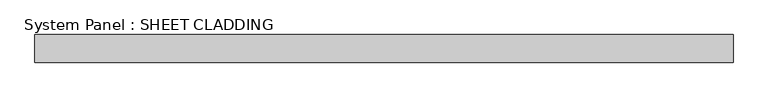
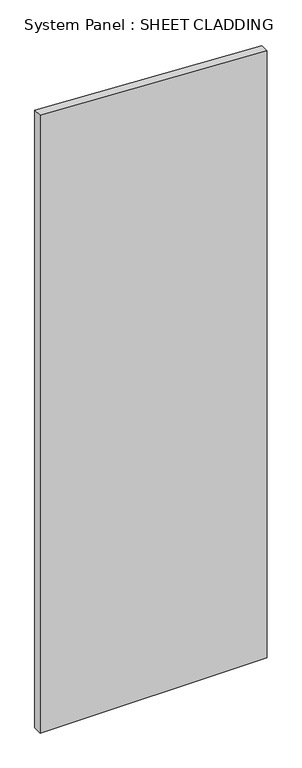
"""IFC4 building model written with IfcOpenShell, lengths in millimetres: plate geometry, System Panel : SHEET CLADDING."""

import ifcopenshell
import ifcopenshell.guid

model = None  # the IFC model being written
_history = None  # IfcOwnerHistory: only IFC2X3 demands one
_inside = {}  # id of a spatial element -> (the spatial element, [elements in it])
_under = {}  # id of a project, library or spatial element -> (it, [spatial elements below it])
_declared = {}  # id of a project -> (the project, [libraries it declares])
_typed = {}  # id of a type object -> (the type object, [elements of that type])
_made_of = {}  # id of a material, layer set ... -> (it, [elements and type objects made of it])


def new_model(schema):
    """Start an empty IFC model of exactly this schema.

    Asked for "IFC4X3", IfcOpenShell would pick the latest addendum, in which some entities
    have other attributes; the version numbers below select the first issue.
    IFC2X3 requires an IfcOwnerHistory on every rooted entity: one is made here for all.
    """
    global model, _history
    if schema == "IFC4X3":
        model = ifcopenshell.file(schema_version=(4, 3, 0, 0))
    else:
        model = ifcopenshell.file(schema=schema)
    _inside.clear()
    _under.clear()
    _declared.clear()
    _typed.clear()
    _made_of.clear()
    _history = None
    if model.schema == "IFC2X3":
        org = make("IfcOrganization", Name="unknown")
        user = make(
            "IfcPersonAndOrganization",
            ThePerson=make("IfcPerson", FamilyName="unknown"),
            TheOrganization=org,
        )
        app = make(
            "IfcApplication",
            ApplicationDeveloper=org,
            Version="unknown",
            ApplicationFullName="unknown",
            ApplicationIdentifier="unknown",
        )
        _history = make(
            "IfcOwnerHistory",
            OwningUser=user,
            OwningApplication=app,
            ChangeAction="ADDED",
            CreationDate=0,
        )
    return model


def make(cls, **values):
    """One entity of the class cls with the attributes given. An attribute that is None is left unset."""
    return model.create_entity(
        cls, **{name: value for name, value in values.items() if value is not None}
    )


def rooted(cls, **values):
    """An entity with a GlobalId (a new one), such as an element, a storey or a relation."""
    return make(cls, GlobalId=ifcopenshell.guid.new(), OwnerHistory=_history, **values)


def si_unit(unit_type, name, prefix=None):
    """IfcSIUnit, for example si_unit("LENGTHUNIT", "METRE", prefix="MILLI")."""
    return make("IfcSIUnit", UnitType=unit_type, Prefix=prefix, Name=name)


def assignment(units):
    """IfcUnitAssignment: the units of a project."""
    return None if units is None else make("IfcUnitAssignment", Units=units)


def point(xyz):
    """IfcCartesianPoint."""
    return None if xyz is None else make("IfcCartesianPoint", Coordinates=xyz)


def direction(xyz):
    """IfcDirection."""
    return None if xyz is None else make("IfcDirection", DirectionRatios=xyz)


def frame(location, z_axis=None, x_axis=None):
    """IfcAxis2Placement3D, a coordinate frame: its origin and axes. An axis left out is left unset."""
    return make(
        "IfcAxis2Placement3D",
        Location=point(location),
        Axis=direction(z_axis),
        RefDirection=direction(x_axis),
    )


def origin():
    """The frame at (0, 0, 0) with its axes left unset."""
    return frame((0.0, 0.0, 0.0))


def place(relative_to, where):
    """IfcLocalPlacement: puts the frame where relative to a parent placement (None: the world)."""
    return make(
        "IfcLocalPlacement", PlacementRelTo=relative_to, RelativePlacement=where
    )


def context(
    kind, dimensions, precision=None, world=None, true_north=None, identifier=None
):
    """IfcGeometricRepresentationContext, for example the 3D "Model" context."""
    return make(
        "IfcGeometricRepresentationContext",
        ContextIdentifier=identifier,
        ContextType=kind,
        CoordinateSpaceDimension=dimensions,
        Precision=precision,
        WorldCoordinateSystem=world,
        TrueNorth=true_north,
    )


def project(units=None, contexts=None):
    """IfcProject with its units and contexts."""
    return rooted(
        "IfcProject",
        Name="project",
        RepresentationContexts=contexts,
        UnitsInContext=assignment(units),
    )


def spatial(cls, under=None, at=None, **own):
    """A site, building, storey or space (cls), placed at a placement, below another one or the project."""
    s = rooted(cls, ObjectPlacement=at, **own)
    if under is not None:
        _under.setdefault(under.id(), (under, []))[1].append(s)
    return s


def polyline(points):
    """IfcPolyline through the points."""
    return make("IfcPolyline", Points=[point(p) for p in points])


def outline(outer, holes=None, kind="AREA"):
    """IfcArbitraryClosedProfileDef: a profile drawn as a closed curve; with holes, ...WithVoids."""
    if holes is None:
        return make("IfcArbitraryClosedProfileDef", ProfileType=kind, OuterCurve=outer)
    return make(
        "IfcArbitraryProfileDefWithVoids",
        ProfileType=kind,
        OuterCurve=outer,
        InnerCurves=holes,
    )


def extrude(swept, where, along, depth):
    """IfcExtrudedAreaSolid: the profile swept, set in the frame where, extruded along a direction by depth."""
    return make(
        "IfcExtrudedAreaSolid",
        SweptArea=swept,
        Position=where,
        ExtrudedDirection=direction(along),
        Depth=depth,
    )


def shape(context_of_items, identifier, shape_type, items):
    """IfcShapeRepresentation: the items that make up one representation, for example the "Body"."""
    return make(
        "IfcShapeRepresentation",
        ContextOfItems=context_of_items,
        RepresentationIdentifier=identifier,
        RepresentationType=shape_type,
        Items=items,
    )


def source(mapping_origin, context_of_items, identifier, shape_type, items):
    """IfcRepresentationMap: a shape defined once, which mapped items show again and again."""
    return make(
        "IfcRepresentationMap",
        MappingOrigin=mapping_origin,
        MappedRepresentation=shape(context_of_items, identifier, shape_type, items),
    )


def transform(
    local_origin,
    x_axis=None,
    y_axis=None,
    z_axis=None,
    scale=None,
    scale2=None,
    scale3=None,
    uniform=True,
):
    """IfcCartesianTransformationOperator3D, or its non-uniform kind. x_axis, y_axis, z_axis: its Axis1, 2, 3."""
    if uniform:
        return make(
            "IfcCartesianTransformationOperator3D",
            Axis1=direction(x_axis),
            Axis2=direction(y_axis),
            LocalOrigin=point(local_origin),
            Scale=scale,
            Axis3=direction(z_axis),
        )
    return make(
        "IfcCartesianTransformationOperator3DnonUniform",
        Axis1=direction(x_axis),
        Axis2=direction(y_axis),
        LocalOrigin=point(local_origin),
        Scale=scale,
        Axis3=direction(z_axis),
        Scale2=scale2,
        Scale3=scale3,
    )


def mapped(mapping_source, mapping_target):
    """IfcMappedItem: shows the shape of a source again, moved by a transform."""
    return make(
        "IfcMappedItem", MappingSource=mapping_source, MappingTarget=mapping_target
    )


def made_of(thing, what):
    """Note that an element or type object is made of a material, layer set ...; save() writes the relation."""
    if what is not None:
        _made_of.setdefault(what.id(), (what, []))[1].append(thing)
    return thing


def element(
    cls,
    number,
    at=None,
    inside=None,
    cuts=None,
    type_object=None,
    material=None,
    context=None,
    identifier="Body",
    shape_type=None,
    held_by="IfcProductDefinitionShape",
    body=None,
    shapes=None,
    **own,
):
    """One element of the class cls, such as IfcWall. Its Tag is "e" and its number.

    at: its placement. inside: the storey or other place that contains it. cuts: it is an
    opening in that element (IfcRelVoidsElement). A single representation is given by context,
    identifier, shape_type and body (its items); several are given by shapes. held_by: the class
    of the entity that holds the representations. save() writes the other relations.
    """
    e = rooted(cls, Tag="e%d" % number, ObjectPlacement=at, **own)
    if body is not None:
        shapes = [shape(context, identifier, shape_type, body)]
    if shapes is not None:
        e.Representation = make(held_by, Representations=shapes)
    if inside is not None:
        _inside.setdefault(inside.id(), (inside, []))[1].append(e)
    if cuts is not None:
        rooted(
            "IfcRelVoidsElement", RelatingBuildingElement=cuts, RelatedOpeningElement=e
        )
    if type_object is not None:
        _typed.setdefault(type_object.id(), (type_object, []))[1].append(e)
    return made_of(e, material)


def aggregate(whole, parts):
    """IfcRelAggregates: a whole, such as a stair, and the parts it consists of."""
    return rooted("IfcRelAggregates", RelatingObject=whole, RelatedObjects=parts)


def save(model, path):
    """Write the relations noted so far, then the file.

    IfcRelAggregates (storeys below a building ...), IfcRelContainedInSpatialStructure (elements
    in a storey), IfcRelDefinesByType, IfcRelAssociatesMaterial and IfcRelDeclares: one each for
    every whole, place, type object, material and project.
    """
    for whole, parts in _under.values():
        aggregate(whole, parts)
    for where, things in _inside.values():
        rooted(
            "IfcRelContainedInSpatialStructure",
            RelatedElements=things,
            RelatingStructure=where,
        )
    for kind, things in _typed.values():
        rooted("IfcRelDefinesByType", RelatedObjects=things, RelatingType=kind)
    for what, things in _made_of.values():
        rooted("IfcRelAssociatesMaterial", RelatedObjects=things, RelatingMaterial=what)
    for by, libraries in _declared.values():
        rooted("IfcRelDeclares", RelatingContext=by, RelatedDefinitions=libraries)
    model.write(path)


def system_panel_sheet_cladding_4442b427(model_context):
    return source(origin(), model_context, "Body", "SweptSolid", [
        extrude(outline(polyline([(0.0, -750.0), (0.0, 750.0), (4235.1, 750.0), (4310.1, -750.0), (0.0, -750.0)])), frame((0.0, -49.5, 0.0), z_axis=(0.0, 1.0, 0.0), x_axis=(0.0, 0.0, 1.0)), (0.0, 0.0, 1.0), 60.0),
    ])


if __name__ == "__main__":
    model = new_model("IFC4")
    model_context = context("Model", 3, world=origin())
    ifc_project = project(units=[si_unit("LENGTHUNIT", "METRE", prefix="MILLI")], contexts=[model_context])
    site = spatial("IfcSite", under=ifc_project)
    building = spatial("IfcBuilding", under=site)
    placement = place(None, origin())
    system_panel_sheet_cladding_shape = system_panel_sheet_cladding_4442b427(model_context)
    element("IfcPlate", 1, ObjectType="System Panel : SHEET CLADDING", at=placement, inside=building, context=model_context, shape_type="MappedRepresentation", body=[
        mapped(system_panel_sheet_cladding_shape, transform((0.0, 0.0, 0.0), x_axis=(1.0, 0.0, 0.0), y_axis=(0.0, 1.0, 0.0), z_axis=(0.0, 0.0, 1.0))),
    ])
    save(model, "model.ifc")
